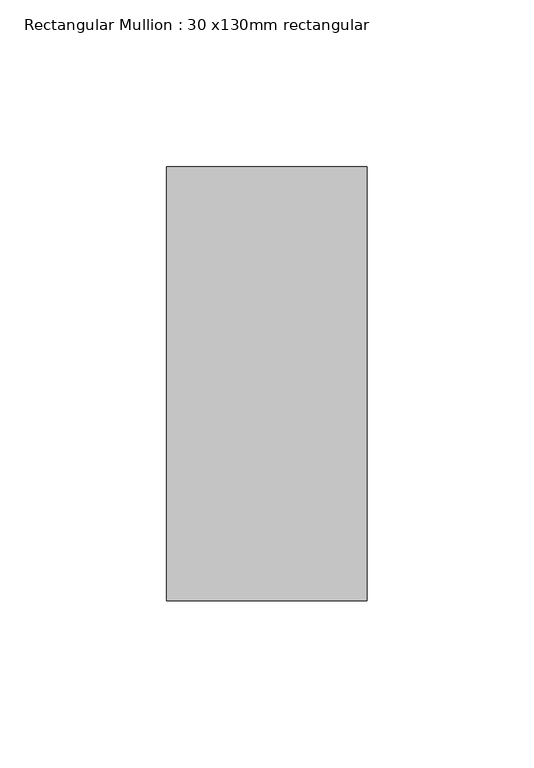
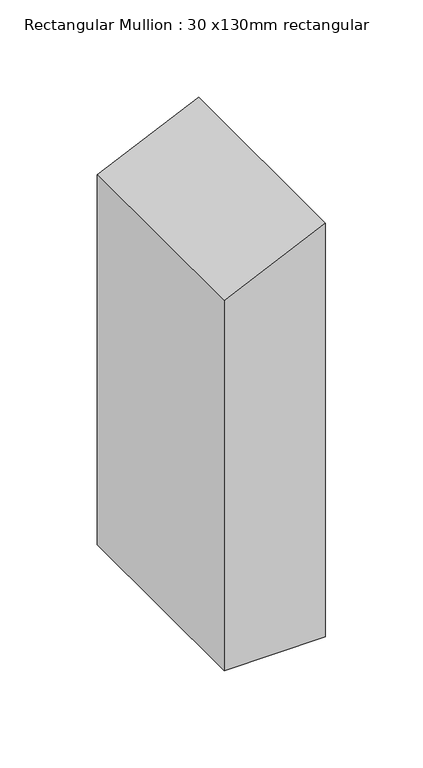
"""IFC4 building model written with IfcOpenShell, lengths in millimetres: member geometry, Rectangular Mullion : 30 x130mm rectangular."""

from ifc_helpers import new_model, si_unit, frame, origin, place, context, project, spatial, polyline, outline, extrude, source, transform, mapped, element, save


def rectangular_mullion_30_x130mm_rectangular_25ac9da6(model_context):
    return source(origin(), model_context, "Body", "SweptSolid", [
        extrude(outline(polyline([(0.0, 0.0), (-27.4110151, -60.0), (-259.0300916, -60.0), (-259.0300916, 0.0), (0.0, 0.0)])), frame((0.0, -65.0, 0.0), z_axis=(0.0, 1.0, 0.0), x_axis=(0.0, 0.0, 1.0)), (0.0, 0.0, 1.0), 130.0),
    ])


if __name__ == "__main__":
    model = new_model("IFC4")
    model_context = context("Model", 3, world=origin())
    ifc_project = project(units=[si_unit("LENGTHUNIT", "METRE", prefix="MILLI")], contexts=[model_context])
    site = spatial("IfcSite", under=ifc_project)
    building = spatial("IfcBuilding", under=site)
    placement = place(None, origin())
    rectangular_mullion_30_x130mm_rectangular_shape = rectangular_mullion_30_x130mm_rectangular_25ac9da6(model_context)
    element("IfcMember", 1, ObjectType="Rectangular Mullion : 30 x130mm rectangular", at=placement, inside=building, context=model_context, shape_type="MappedRepresentation", body=[
        mapped(rectangular_mullion_30_x130mm_rectangular_shape, transform((0.0, 0.0, 0.0), x_axis=(1.0, 0.0, 0.0), y_axis=(0.0, 1.0, 0.0), z_axis=(0.0, 0.0, 1.0))),
    ])
    save(model, "model.ifc")
